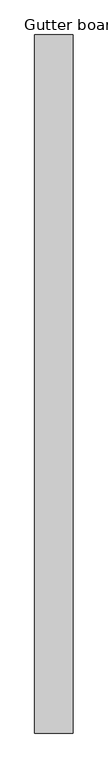
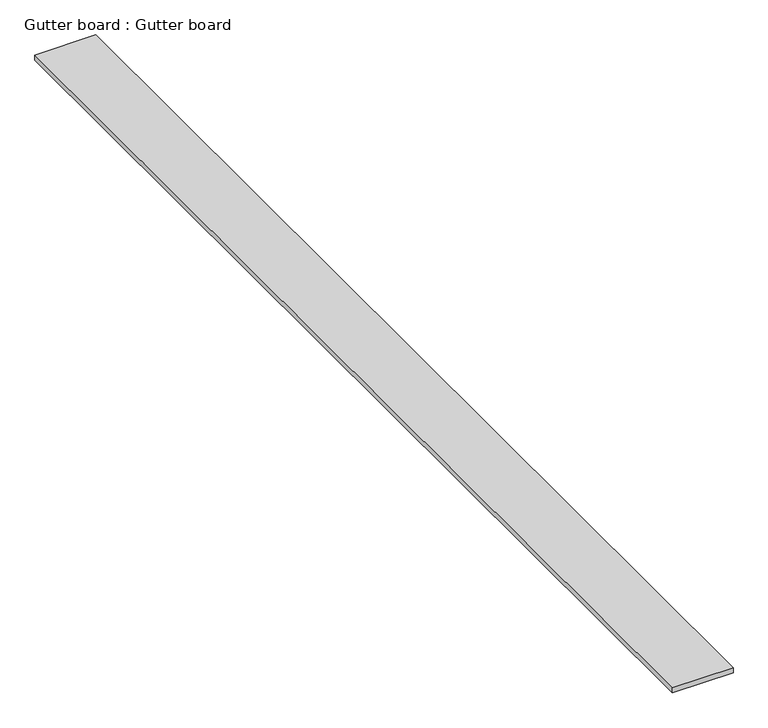
"""IFC4 building model written with IfcOpenShell, lengths in millimetres: proxy geometry, Gutter board : Gutter board."""

from ifc_helpers import new_model, si_unit, frame, origin, place, context, project, spatial, polyline, outline, extrude, source, transform, mapped, element, save


def gutter_board_gutter_board_5768a3fe(model_context):
    return source(origin(), model_context, "Body", "SweptSolid", [
        extrude(outline(polyline([(-1185.4274939, -4511.1489417), (-1355.4274939, -4511.1489417), (-1355.4274939, -1421.1489417), (-1185.4274939, -1421.1489417), (-1185.4274939, -4511.1489417)])), frame((0.0, 0.0, 3784.2452806), z_axis=(0.0, 0.0, 1.0), x_axis=(1.0, 0.0, 0.0)), (0.0, 0.0, 1.0), 15.0),
    ])


if __name__ == "__main__":
    model = new_model("IFC4")
    model_context = context("Model", 3, world=origin())
    ifc_project = project(units=[si_unit("LENGTHUNIT", "METRE", prefix="MILLI")], contexts=[model_context])
    site = spatial("IfcSite", under=ifc_project)
    building = spatial("IfcBuilding", under=site)
    placement = place(None, origin())
    gutter_board_gutter_board_shape = gutter_board_gutter_board_5768a3fe(model_context)
    element("IfcBuildingElementProxy", 1, Name="Gutter board : Gutter board", ObjectType="Gutter board : Gutter board", at=placement, inside=building, context=model_context, shape_type="MappedRepresentation", body=[
        mapped(gutter_board_gutter_board_shape, transform((0.0, 0.0, 0.0), x_axis=(1.0, 0.0, 0.0), y_axis=(0.0, 1.0, 0.0), z_axis=(0.0, 0.0, 1.0))),
    ])
    save(model, "model.ifc")
